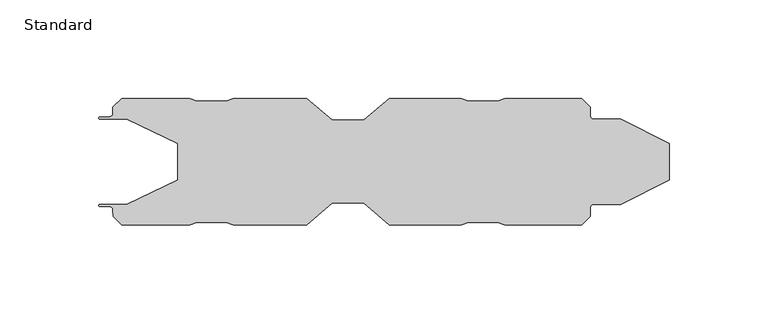
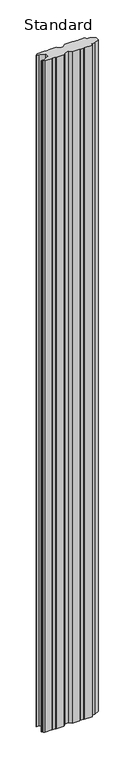
"""IFC4 building model written with IfcOpenShell, lengths in millimetres: plate geometry, Standard."""

from ifc_helpers import new_model, si_unit, point, frame_2d, origin, origin_with_axes, place, context, project, spatial, polyline, circle_curve, trimmed, segment, composite_curve, outline, extrude, source, transform, mapped, element, save


def standard_2c03ee73(model_context):
    return source(origin(), model_context, "Body", "SweptSolid", [
        extrude(outline(composite_curve([segment(polyline([(-84.9295247, 9.3009734), (-110.7396472, 21.6000018), (-124.424988, 21.6000018)]), True, "CONTINUOUS"), segment(trimmed(circle_curve(frame_2d((-124.424988, 22.1750138)), 0.575012), [point((-124.424988, 21.6000018))], [point((-124.424988, 22.7500257))], False, "CARTESIAN"), True, "CONTINUOUS"), segment(polyline([(-124.424988, 22.7500257), (-119.4743369, 22.7500257)]), True, "CONTINUOUS"), segment(trimmed(circle_curve(frame_2d((-119.4743369, 24.4000258)), 1.6500001), [point((-119.4743369, 22.7500257))], [point((-117.8243368, 24.4000258))], True, "CARTESIAN"), True, "CONTINUOUS"), segment(polyline([(-117.8243368, 24.4000258), (-117.8243368, 27.5902281), (-113.4699476, 32.0000186), (-78.8190978, 32.0000186), (-75.2819769, 30.8000259), (-60.3244565, 30.8000259), (-56.8182185, 32.0), (-19.775007, 32.0), (-6.7789285, 21.0000019), (9.1630561, 21.0000019), (22.2327497, 32.0), (58.6822975, 32.0), (62.1756094, 30.8000731), (77.1602962, 30.8000731), (80.6601202, 32.0), (119.6870086, 32.0), (123.9183085, 27.7503939), (123.9183085, 23.2500019)]), True, "CONTINUOUS"), segment(trimmed(circle_curve(frame_2d((125.5683086, 23.2500019)), 1.6500001), [point((123.9183085, 23.2500019))], [point((125.5683086, 21.6000018))], True, "CARTESIAN"), True, "CONTINUOUS"), segment(polyline([(125.5683086, 21.6000018), (139.2603528, 21.6000018), (163.9137719, 9.3009734), (163.9137719, -9.3009734), (139.2603528, -21.6000018), (125.5683086, -21.6000018)]), True, "CONTINUOUS"), segment(trimmed(circle_curve(frame_2d((125.5683086, -23.2500019)), 1.6500001), [point((125.5683086, -21.6000018))], [point((123.9183085, -23.2500019))], True, "CARTESIAN"), True, "CONTINUOUS"), segment(polyline([(123.9183085, -23.2500019), (123.9183085, -27.7503939), (119.6870086, -32.0), (80.6601202, -32.0), (77.1602962, -30.8000731), (62.1756094, -30.8000731), (58.6822975, -32.0), (22.2327497, -32.0), (9.1630561, -21.0000019), (-6.7789285, -21.0000019), (-19.775007, -32.0), (-56.8182185, -32.0), (-60.3244565, -30.8000259), (-75.2819769, -30.8000259), (-78.8190978, -32.0000186), (-113.4699476, -32.0000186), (-117.6460159, -27.8239508), (-117.8243368, -24.4000259)]), True, "CONTINUOUS"), segment(trimmed(circle_curve(frame_2d((-119.5649917, -24.4906807)), 1.7430141), [point((-117.8243368, -24.4000259))], [point((-119.4743369, -22.7500257))], True, "CARTESIAN"), True, "CONTINUOUS"), segment(polyline([(-119.4743369, -22.7500257), (-124.424988, -22.7500257)]), True, "CONTINUOUS"), segment(trimmed(circle_curve(frame_2d((-124.424988, -22.1750138)), 0.575012), [point((-124.424988, -22.7500257))], [point((-124.424988, -21.6000018))], False, "CARTESIAN"), True, "CONTINUOUS"), segment(polyline([(-124.424988, -21.6000018), (-110.7396472, -21.6000018), (-84.9295247, -9.3009734), (-84.9295247, 9.3009734)]), True, "CONTINUOUS")], self_intersect=False)), origin_with_axes(), (0.0, 0.0, 1.0), 3497.7),
    ])


if __name__ == "__main__":
    model = new_model("IFC4")
    model_context = context("Model", 3, world=origin())
    ifc_project = project(units=[si_unit("LENGTHUNIT", "METRE", prefix="MILLI")], contexts=[model_context])
    site = spatial("IfcSite", under=ifc_project)
    building = spatial("IfcBuilding", under=site)
    placement = place(None, origin())
    standard_shape = standard_2c03ee73(model_context)
    element("IfcPlate", 1, ObjectType="Standard", at=placement, inside=building, context=model_context, shape_type="MappedRepresentation", body=[
        mapped(standard_shape, transform((0.0, 0.0, 0.0), x_axis=(1.0, 0.0, 0.0), y_axis=(0.0, 1.0, 0.0), z_axis=(0.0, 0.0, 1.0))),
    ])
    save(model, "model.ifc")
